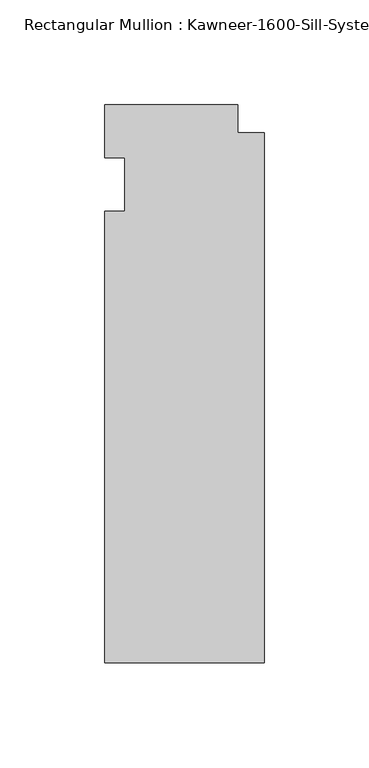
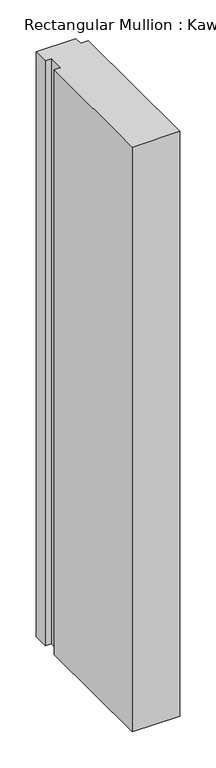
"""IFC4 building model written with IfcOpenShell, lengths in millimetres: member geometry."""

from ifc_helpers import new_model, si_unit, frame, origin, place, context, project, spatial, polyline, outline, extrude, source, transform, mapped, element, save


def member_718f1083(model_context):
    return source(origin(), model_context, "Body", "SweptSolid", [
        extrude(outline(polyline([(-76.2, -12.7), (-66.675, -12.7), (-66.675, 12.7), (-76.2, 12.7), (-76.2, 38.1), (-12.7, 38.1), (-12.7, 24.60625), (0.0, 24.60625), (0.0, -228.6), (-76.2, -228.6), (-76.2, -12.7)])), frame((0.0, 0.0, -990.6), z_axis=(0.0, 0.0, 1.0), x_axis=(1.0, 0.0, 0.0)), (0.0, 0.0, 1.0), 990.6),
    ])


if __name__ == "__main__":
    model = new_model("IFC4")
    model_context = context("Model", 3, world=origin())
    ifc_project = project(units=[si_unit("LENGTHUNIT", "METRE", prefix="MILLI")], contexts=[model_context])
    site = spatial("IfcSite", under=ifc_project)
    building = spatial("IfcBuilding", under=site)
    placement = place(None, origin())
    member_shape = member_718f1083(model_context)
    element("IfcMember", 1, ObjectType="Rectangular Mullion : Kawneer-1600-Sill-System1-10_1/2\"-1\"Infill", at=placement, inside=building, context=model_context, shape_type="MappedRepresentation", body=[
        mapped(member_shape, transform((0.0, 0.0, 0.0), x_axis=(1.0, 0.0, 0.0), y_axis=(0.0, 1.0, 0.0), z_axis=(0.0, 0.0, 1.0))),
    ])
    save(model, "model.ifc")
